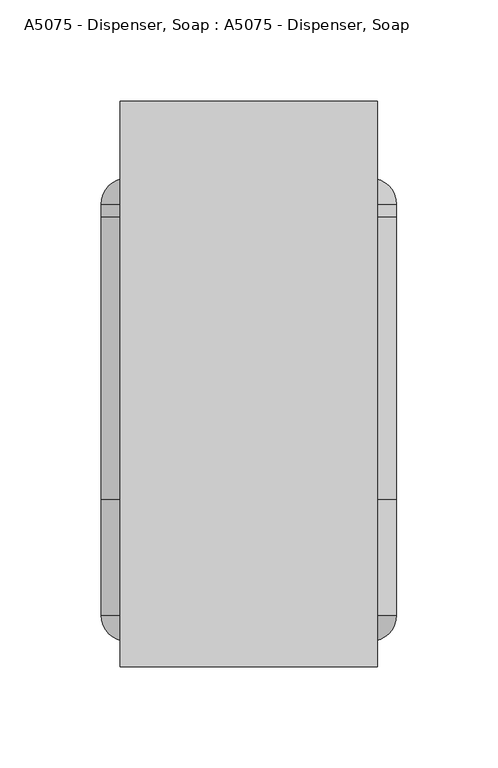
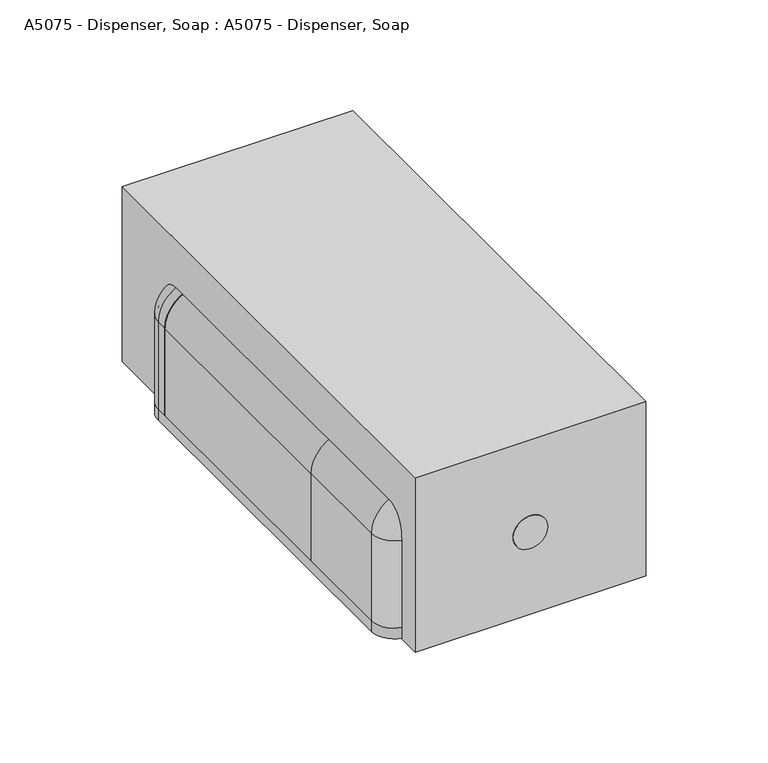
"""IFC4 building model written with IfcOpenShell, lengths in millimetres: proxy geometry, A5075 - Dispenser, Soap : A5075 - Dispenser, Soap."""

import ifcopenshell
import ifcopenshell.guid

model = None  # the IFC model being written
_history = None  # IfcOwnerHistory: only IFC2X3 demands one
_inside = {}  # id of a spatial element -> (the spatial element, [elements in it])
_under = {}  # id of a project, library or spatial element -> (it, [spatial elements below it])
_declared = {}  # id of a project -> (the project, [libraries it declares])
_typed = {}  # id of a type object -> (the type object, [elements of that type])
_made_of = {}  # id of a material, layer set ... -> (it, [elements and type objects made of it])


def new_model(schema):
    """Start an empty IFC model of exactly this schema.

    Asked for "IFC4X3", IfcOpenShell would pick the latest addendum, in which some entities
    have other attributes; the version numbers below select the first issue.
    IFC2X3 requires an IfcOwnerHistory on every rooted entity: one is made here for all.
    """
    global model, _history
    if schema == "IFC4X3":
        model = ifcopenshell.file(schema_version=(4, 3, 0, 0))
    else:
        model = ifcopenshell.file(schema=schema)
    _inside.clear()
    _under.clear()
    _declared.clear()
    _typed.clear()
    _made_of.clear()
    _history = None
    if model.schema == "IFC2X3":
        org = make("IfcOrganization", Name="unknown")
        user = make(
            "IfcPersonAndOrganization",
            ThePerson=make("IfcPerson", FamilyName="unknown"),
            TheOrganization=org,
        )
        app = make(
            "IfcApplication",
            ApplicationDeveloper=org,
            Version="unknown",
            ApplicationFullName="unknown",
            ApplicationIdentifier="unknown",
        )
        _history = make(
            "IfcOwnerHistory",
            OwningUser=user,
            OwningApplication=app,
            ChangeAction="ADDED",
            CreationDate=0,
        )
    return model


def make(cls, **values):
    """One entity of the class cls with the attributes given. An attribute that is None is left unset."""
    return model.create_entity(
        cls, **{name: value for name, value in values.items() if value is not None}
    )


def rooted(cls, **values):
    """An entity with a GlobalId (a new one), such as an element, a storey or a relation."""
    return make(cls, GlobalId=ifcopenshell.guid.new(), OwnerHistory=_history, **values)


def si_unit(unit_type, name, prefix=None):
    """IfcSIUnit, for example si_unit("LENGTHUNIT", "METRE", prefix="MILLI")."""
    return make("IfcSIUnit", UnitType=unit_type, Prefix=prefix, Name=name)


def assignment(units):
    """IfcUnitAssignment: the units of a project."""
    return None if units is None else make("IfcUnitAssignment", Units=units)


def point(xyz):
    """IfcCartesianPoint."""
    return None if xyz is None else make("IfcCartesianPoint", Coordinates=xyz)


def direction(xyz):
    """IfcDirection."""
    return None if xyz is None else make("IfcDirection", DirectionRatios=xyz)


def frame(location, z_axis=None, x_axis=None):
    """IfcAxis2Placement3D, a coordinate frame: its origin and axes. An axis left out is left unset."""
    return make(
        "IfcAxis2Placement3D",
        Location=point(location),
        Axis=direction(z_axis),
        RefDirection=direction(x_axis),
    )


def frame_2d(location, x_axis=None):
    """IfcAxis2Placement2D, a coordinate frame in the plane: its origin and x axis."""
    return make(
        "IfcAxis2Placement2D", Location=point(location), RefDirection=direction(x_axis)
    )


def origin():
    """The frame at (0, 0, 0) with its axes left unset."""
    return frame((0.0, 0.0, 0.0))


def origin_with_axes():
    """The frame at (0, 0, 0) with the z axis (0, 0, 1) and the x axis (1, 0, 0) written out."""
    return frame((0.0, 0.0, 0.0), z_axis=(0.0, 0.0, 1.0), x_axis=(1.0, 0.0, 0.0))


def place(relative_to, where):
    """IfcLocalPlacement: puts the frame where relative to a parent placement (None: the world)."""
    return make(
        "IfcLocalPlacement", PlacementRelTo=relative_to, RelativePlacement=where
    )


def context(
    kind, dimensions, precision=None, world=None, true_north=None, identifier=None
):
    """IfcGeometricRepresentationContext, for example the 3D "Model" context."""
    return make(
        "IfcGeometricRepresentationContext",
        ContextIdentifier=identifier,
        ContextType=kind,
        CoordinateSpaceDimension=dimensions,
        Precision=precision,
        WorldCoordinateSystem=world,
        TrueNorth=true_north,
    )


def project(units=None, contexts=None):
    """IfcProject with its units and contexts."""
    return rooted(
        "IfcProject",
        Name="project",
        RepresentationContexts=contexts,
        UnitsInContext=assignment(units),
    )


def spatial(cls, under=None, at=None, **own):
    """A site, building, storey or space (cls), placed at a placement, below another one or the project."""
    s = rooted(cls, ObjectPlacement=at, **own)
    if under is not None:
        _under.setdefault(under.id(), (under, []))[1].append(s)
    return s


def polyline(points):
    """IfcPolyline through the points."""
    return make("IfcPolyline", Points=[point(p) for p in points])


def circle_curve(where, radius):
    """IfcCircle in the frame where."""
    return make("IfcCircle", Position=where, Radius=radius)


def ellipse_curve(where, semi_axis1, semi_axis2):
    """IfcEllipse in the frame where."""
    return make(
        "IfcEllipse", Position=where, SemiAxis1=semi_axis1, SemiAxis2=semi_axis2
    )


def trimmed(basis, trim1, trim2, sense, master):
    """IfcTrimmedCurve: the piece of a basis curve between two trims."""
    return make(
        "IfcTrimmedCurve",
        BasisCurve=basis,
        Trim1=trim1,
        Trim2=trim2,
        SenseAgreement=sense,
        MasterRepresentation=master,
    )


def segment(curve, same_sense, transition):
    """IfcCompositeCurveSegment."""
    return make(
        "IfcCompositeCurveSegment",
        Transition=transition,
        SameSense=same_sense,
        ParentCurve=curve,
    )


def composite_curve(segments, self_intersect=None):
    """IfcCompositeCurve: segments joined end to end."""
    return make("IfcCompositeCurve", Segments=segments, SelfIntersect=self_intersect)


def outline(outer, holes=None, kind="AREA"):
    """IfcArbitraryClosedProfileDef: a profile drawn as a closed curve; with holes, ...WithVoids."""
    if holes is None:
        return make("IfcArbitraryClosedProfileDef", ProfileType=kind, OuterCurve=outer)
    return make(
        "IfcArbitraryProfileDefWithVoids",
        ProfileType=kind,
        OuterCurve=outer,
        InnerCurves=holes,
    )


def extrude(swept, where, along, depth):
    """IfcExtrudedAreaSolid: the profile swept, set in the frame where, extruded along a direction by depth."""
    return make(
        "IfcExtrudedAreaSolid",
        SweptArea=swept,
        Position=where,
        ExtrudedDirection=direction(along),
        Depth=depth,
    )


def shape(context_of_items, identifier, shape_type, items):
    """IfcShapeRepresentation: the items that make up one representation, for example the "Body"."""
    return make(
        "IfcShapeRepresentation",
        ContextOfItems=context_of_items,
        RepresentationIdentifier=identifier,
        RepresentationType=shape_type,
        Items=items,
    )


def source(mapping_origin, context_of_items, identifier, shape_type, items):
    """IfcRepresentationMap: a shape defined once, which mapped items show again and again."""
    return make(
        "IfcRepresentationMap",
        MappingOrigin=mapping_origin,
        MappedRepresentation=shape(context_of_items, identifier, shape_type, items),
    )


def transform(
    local_origin,
    x_axis=None,
    y_axis=None,
    z_axis=None,
    scale=None,
    scale2=None,
    scale3=None,
    uniform=True,
):
    """IfcCartesianTransformationOperator3D, or its non-uniform kind. x_axis, y_axis, z_axis: its Axis1, 2, 3."""
    if uniform:
        return make(
            "IfcCartesianTransformationOperator3D",
            Axis1=direction(x_axis),
            Axis2=direction(y_axis),
            LocalOrigin=point(local_origin),
            Scale=scale,
            Axis3=direction(z_axis),
        )
    return make(
        "IfcCartesianTransformationOperator3DnonUniform",
        Axis1=direction(x_axis),
        Axis2=direction(y_axis),
        LocalOrigin=point(local_origin),
        Scale=scale,
        Axis3=direction(z_axis),
        Scale2=scale2,
        Scale3=scale3,
    )


def mapped(mapping_source, mapping_target):
    """IfcMappedItem: shows the shape of a source again, moved by a transform."""
    return make(
        "IfcMappedItem", MappingSource=mapping_source, MappingTarget=mapping_target
    )


def made_of(thing, what):
    """Note that an element or type object is made of a material, layer set ...; save() writes the relation."""
    if what is not None:
        _made_of.setdefault(what.id(), (what, []))[1].append(thing)
    return thing


def element(
    cls,
    number,
    at=None,
    inside=None,
    cuts=None,
    type_object=None,
    material=None,
    context=None,
    identifier="Body",
    shape_type=None,
    held_by="IfcProductDefinitionShape",
    body=None,
    shapes=None,
    **own,
):
    """One element of the class cls, such as IfcWall. Its Tag is "e" and its number.

    at: its placement. inside: the storey or other place that contains it. cuts: it is an
    opening in that element (IfcRelVoidsElement). A single representation is given by context,
    identifier, shape_type and body (its items); several are given by shapes. held_by: the class
    of the entity that holds the representations. save() writes the other relations.
    """
    e = rooted(cls, Tag="e%d" % number, ObjectPlacement=at, **own)
    if body is not None:
        shapes = [shape(context, identifier, shape_type, body)]
    if shapes is not None:
        e.Representation = make(held_by, Representations=shapes)
    if inside is not None:
        _inside.setdefault(inside.id(), (inside, []))[1].append(e)
    if cuts is not None:
        rooted(
            "IfcRelVoidsElement", RelatingBuildingElement=cuts, RelatedOpeningElement=e
        )
    if type_object is not None:
        _typed.setdefault(type_object.id(), (type_object, []))[1].append(e)
    return made_of(e, material)


def aggregate(whole, parts):
    """IfcRelAggregates: a whole, such as a stair, and the parts it consists of."""
    return rooted("IfcRelAggregates", RelatingObject=whole, RelatedObjects=parts)


def save(model, path):
    """Write the relations noted so far, then the file.

    IfcRelAggregates (storeys below a building ...), IfcRelContainedInSpatialStructure (elements
    in a storey), IfcRelDefinesByType, IfcRelAssociatesMaterial and IfcRelDeclares: one each for
    every whole, place, type object, material and project.
    """
    for whole, parts in _under.values():
        aggregate(whole, parts)
    for where, things in _inside.values():
        rooted(
            "IfcRelContainedInSpatialStructure",
            RelatedElements=things,
            RelatingStructure=where,
        )
    for kind, things in _typed.values():
        rooted("IfcRelDefinesByType", RelatedObjects=things, RelatingType=kind)
    for what, things in _made_of.values():
        rooted("IfcRelAssociatesMaterial", RelatedObjects=things, RelatingMaterial=what)
    for by, libraries in _declared.values():
        rooted("IfcRelDeclares", RelatingContext=by, RelatedDefinitions=libraries)
    model.write(path)


def plane_surface(at):
    """IfcPlane: the flat surface through the origin of the frame at, square to its z axis."""
    return make("IfcPlane", Position=at)


def cylinder_surface(at, radius):
    """IfcCylindricalSurface: all points at the distance radius from the z axis of the frame at."""
    return make("IfcCylindricalSurface", Position=at, Radius=radius)


def revolved_surface(curve, axis_point, axis_direction):
    """IfcSurfaceOfRevolution: the curve turned about the line through axis_point along axis_direction."""
    return make(
        "IfcSurfaceOfRevolution",
        SweptCurve=make("IfcArbitraryOpenProfileDef", ProfileType="CURVE", Curve=curve),
        AxisPosition=make("IfcAxis1Placement", Location=point(axis_point), Axis=direction(axis_direction)),
    )


def advanced_brep(points, edges, surfaces, faces):
    """IfcAdvancedBrep: a solid bounded by faces that lie on surfaces and meet in shared edges.

    An edge is (start, end): straight between two places in points (the first is 0);
    or (start, end, curve); or (start, end, curve, False) where it runs against its curve.
    A face is (place in surfaces, loops), or (place, loops, False) where it looks against
    its surface's normal. A loop lists edges by number (the first is 1), with a minus sign
    where the edge is run from its end to its start. The first loop is the outer one.
    """
    corners = [point(p) for p in points]
    vertices = [make("IfcVertexPoint", VertexGeometry=c) for c in corners]
    made = []
    for start, end, *more in edges:
        made.append(
            make(
                "IfcEdgeCurve",
                EdgeStart=vertices[start],
                EdgeEnd=vertices[end],
                EdgeGeometry=more[0] if more else make("IfcPolyline", Points=[corners[start], corners[end]]),
                SameSense=more[1] if len(more) > 1 else True,
            )
        )
    hull = []
    for where, loops, *sense in faces:
        bounds = []
        for j, loop in enumerate(loops):
            ring = [make("IfcOrientedEdge", EdgeElement=made[abs(k) - 1], Orientation=k > 0) for k in loop]
            bounds.append(
                make(
                    "IfcFaceOuterBound" if j == 0 else "IfcFaceBound",
                    Bound=make("IfcEdgeLoop", EdgeList=ring),
                    Orientation=True,
                )
            )
        hull.append(make("IfcAdvancedFace", Bounds=bounds, FaceSurface=surfaces[where], SameSense=sense[0] if sense else True))
    return make("IfcAdvancedBrep", Outer=make("IfcClosedShell", CfsFaces=hull))


def a5075_dispenser_soap_a5075_dispenser_soap_4b3b6f7a(model_context):
    return source(origin(), model_context, "Body", "SolidModel", [
        advanced_brep(
        [(-73.025, 25.4, 6.35), (-73.025, 82.55, 6.35), (-71.4375, 82.55, 6.35), (-71.4375, 25.4, 6.35), (-60.325, 14.2875, 6.35), (-60.325, 12.7, 6.35), (-73.025, 25.4, 57.15), (-73.025, 82.55, 57.15), (-53.975, 82.55, 76.2), (53.975, 82.55, 76.2), (73.025, 82.55, 57.15), (73.025, 82.55, 6.35), (71.4375, 82.55, 6.35), (71.4375, 82.55, 57.15), (53.975, 82.55, 74.6125), (-53.975, 82.55, 74.6125), (-71.4375, 82.55, 57.15), (-71.4375, 25.4, 57.15), (-60.325, 14.2875, 57.15), (-60.325, 12.7, 57.15), (-53.975, 25.4, 76.2), (-53.975, 25.4, 74.6125), (-53.975, 14.2875, 63.5), (-53.975, 12.7, 63.5), (53.975, 25.4, 76.2), (53.975, 25.4, 74.6125), (53.975, 14.2875, 63.5), (53.975, 12.7, 63.5), (73.025, 25.4, 57.15), (71.4375, 25.4, 57.15), (60.325, 14.2875, 57.15), (60.325, 12.7, 57.15), (73.025, 25.4, 6.35), (60.325, 12.7, 6.35), (60.325, 14.2875, 6.35), (71.4375, 25.4, 6.35)],
        [
            (0, 1),
            (1, 2),
            (2, 3),
            (3, 4, circle_curve(frame((-60.325, 25.4, 6.35), z_axis=(0.0, 0.0, 1.0), x_axis=(1.0, 0.0, 0.0)), 11.1125)),
            (4, 5),
            (5, 0, circle_curve(frame((-60.325, 25.4, 6.35), z_axis=(0.0, 0.0, -1.0), x_axis=(1.0, 0.0, 0.0)), 12.7)),
            (0, 6),
            (6, 7),
            (7, 1),
            (7, 8, circle_curve(frame((-53.975, 82.55, 57.15), z_axis=(0.0, 1.0, 0.0), x_axis=(-1.0, 0.0, 0.0)), 19.05)),
            (8, 9),
            (9, 10, circle_curve(frame((53.975, 82.55, 57.15), z_axis=(0.0, 1.0, 0.0), x_axis=(0.0, 0.0, 1.0)), 19.05)),
            (10, 11),
            (11, 12),
            (12, 13),
            (13, 14, circle_curve(frame((53.975, 82.55, 57.15), z_axis=(0.0, -1.0, 0.0), x_axis=(0.0, 0.0, 1.0)), 17.4625)),
            (14, 15),
            (15, 16, circle_curve(frame((-53.975, 82.55, 57.15), z_axis=(0.0, -1.0, 0.0), x_axis=(-1.0, 0.0, 0.0)), 17.4625)),
            (16, 2),
            (16, 17),
            (17, 3),
            (17, 18, circle_curve(frame((-60.325, 25.4, 57.15), z_axis=(0.0, 0.0, 1.0), x_axis=(1.0, 0.0, 0.0)), 11.1125)),
            (18, 4),
            (18, 19),
            (19, 5),
            (19, 6, circle_curve(frame((-60.325, 25.4, 57.15), z_axis=(0.0, 0.0, -1.0), x_axis=(1.0, 0.0, 0.0)), 12.7)),
            (6, 20, circle_curve(frame((-53.975, 25.4, 57.15), z_axis=(0.0, 1.0, 0.0), x_axis=(-1.0, 0.0, 0.0)), 19.05)),
            (20, 8),
            (21, 17, circle_curve(frame((-53.975, 25.4, 57.15), z_axis=(0.0, -1.0, 0.0), x_axis=(-1.0, 0.0, 0.0)), 17.4625)),
            (15, 21),
            (22, 18, circle_curve(frame((-53.975, 14.2875, 57.15), z_axis=(0.0, -1.0, 0.0), x_axis=(-1.0, 0.0, 0.0)), 6.35)),
            (21, 22, circle_curve(frame((-53.975, 25.4, 63.5), z_axis=(1.0, 0.0, 0.0), x_axis=(0.0, 0.0, -1.0)), 11.1125)),
            (23, 19, circle_curve(frame((-53.975, 12.7, 57.15), z_axis=(0.0, -1.0, 0.0), x_axis=(-1.0, 0.0, 0.0)), 6.35)),
            (22, 23),
            (23, 20, circle_curve(frame((-53.975, 25.4, 63.5), z_axis=(-1.0, 0.0, 0.0), x_axis=(0.0, 0.0, -1.0)), 12.7)),
            (20, 24),
            (24, 9),
            (14, 25),
            (25, 21),
            (25, 26, circle_curve(frame((53.975, 25.4, 63.5), z_axis=(1.0, 0.0, 0.0), x_axis=(0.0, 0.0, -1.0)), 11.1125)),
            (26, 22),
            (26, 27),
            (27, 23),
            (27, 24, circle_curve(frame((53.975, 25.4, 63.5), z_axis=(-1.0, 0.0, 0.0), x_axis=(0.0, 0.0, -1.0)), 12.7)),
            (24, 28, circle_curve(frame((53.975, 25.4, 57.15), z_axis=(0.0, 1.0, 0.0), x_axis=(0.0, 0.0, 1.0)), 19.05)),
            (28, 10),
            (29, 25, circle_curve(frame((53.975, 25.4, 57.15), z_axis=(0.0, -1.0, 0.0), x_axis=(0.0, 0.0, 1.0)), 17.4625)),
            (13, 29),
            (30, 26, circle_curve(frame((53.975, 14.2875, 57.15), z_axis=(0.0, -1.0, 0.0), x_axis=(0.0, 0.0, 1.0)), 6.35)),
            (29, 30, circle_curve(frame((60.325, 25.4, 57.15), z_axis=(0.0, 0.0, -1.0), x_axis=(-1.0, 0.0, 0.0)), 11.1125)),
            (31, 27, circle_curve(frame((53.975, 12.7, 57.15), z_axis=(0.0, -1.0, 0.0), x_axis=(0.0, 0.0, 1.0)), 6.35)),
            (30, 31),
            (31, 28, circle_curve(frame((60.325, 25.4, 57.15), z_axis=(0.0, 0.0, 1.0), x_axis=(-1.0, 0.0, 0.0)), 12.7)),
            (32, 33, circle_curve(frame((60.325, 25.4, 6.35), z_axis=(0.0, 0.0, -1.0), x_axis=(-1.0, 0.0, 0.0)), 12.7)),
            (33, 34),
            (34, 35, circle_curve(frame((60.325, 25.4, 6.35), z_axis=(0.0, 0.0, 1.0), x_axis=(-1.0, 0.0, 0.0)), 11.1125)),
            (35, 12),
            (11, 32),
            (28, 32),
            (35, 29),
            (34, 30),
            (33, 31),
        ],
        [
            plane_surface(frame((-73.025, 12.7, 6.35), z_axis=(0.0, 0.0, -1.0), x_axis=(0.0, 1.0, 0.0))),
            plane_surface(frame((-73.025, 25.4, 6.35), z_axis=(-1.0, 0.0, 0.0), x_axis=(0.0, 0.0, 1.0))),
            plane_surface(frame((-73.025, 82.55, 6.35), z_axis=(0.0, 1.0, 0.0), x_axis=(0.0, 0.0, 1.0))),
            plane_surface(frame((-71.4375, 82.55, 6.35), z_axis=(1.0, 0.0, 0.0), x_axis=(0.0, 0.0, 1.0))),
            revolved_surface(polyline([(-49.212500000000006, 25.4, 57.15), (-49.212500000000006, 25.4, 6.35)]), (-60.325, 25.4, 6.35), (0.0, 0.0, 1.0)),
            plane_surface(frame((-60.325, 14.2875, 6.35), z_axis=(1.0, 0.0, 0.0), x_axis=(0.0, 0.0, 1.0))),
            cylinder_surface(frame((-60.325, 25.4, 6.35), z_axis=(0.0, 0.0, -1.0), x_axis=(1.0, 0.0, 0.0)), 12.7),
            cylinder_surface(frame((-53.975, 12.7, 57.15), z_axis=(0.0, 1.0, 0.0), x_axis=(-1.0, 0.0, 0.0)), 19.05),
            revolved_surface(polyline([(-71.4375, 82.55, 57.15), (-71.4375, 25.4, 57.15)]), (-53.975, 12.7, 57.15), (0.0, 1.0, 0.0)),
            revolved_surface(trimmed(ellipse_curve(frame((-60.325, 25.4, 57.15), z_axis=(0.0, 0.0, 1.0), x_axis=(1.0, 0.0, 0.0)), 11.1125, 11.1125), [point((-71.4375, 25.4, 57.15))], [point((-60.325, 14.2875, 57.15))], True, "CARTESIAN"), (-53.975, 12.7, 57.15), (0.0, 1.0, 0.0)),
            revolved_surface(polyline([(-60.325, 14.2875, 57.15), (-60.325, 12.7, 57.15)]), (-53.975, 12.7, 57.15), (0.0, 1.0, 0.0)),
            revolved_surface(trimmed(ellipse_curve(frame((-60.325, 25.4, 57.15), z_axis=(0.0, 0.0, -1.0), x_axis=(1.0, 0.0, 0.0)), 12.7, 12.7), [point((-60.325, 12.7, 57.15))], [point((-73.025, 25.4, 57.15))], True, "CARTESIAN"), (-53.975, 12.7, 57.15), (0.0, 1.0, 0.0)),
            plane_surface(frame((-53.975, 25.4, 76.2), z_axis=(0.0, 0.0, 1.0), x_axis=(1.0, 0.0, 0.0))),
            plane_surface(frame((-53.975, 82.55, 74.6125), z_axis=(0.0, 0.0, -1.0), x_axis=(1.0, 0.0, 0.0))),
            revolved_surface(polyline([(53.975, 25.4, 52.3875), (-53.975, 25.4, 52.3875)]), (-53.975, 25.4, 63.5), (1.0, 0.0, 0.0)),
            plane_surface(frame((-53.975, 14.2875, 63.5), z_axis=(0.0, 0.0, -1.0), x_axis=(1.0, 0.0, 0.0))),
            cylinder_surface(frame((-53.975, 25.4, 63.5), z_axis=(-1.0, 0.0, 0.0), x_axis=(0.0, 0.0, -1.0)), 12.7),
            cylinder_surface(frame((53.975, 12.7, 57.15), z_axis=(0.0, 1.0, 0.0), x_axis=(0.0, 0.0, 1.0)), 19.05),
            revolved_surface(polyline([(53.975, 82.55, 74.6125), (53.975, 25.4, 74.6125)]), (53.975, 12.7, 57.15), (0.0, 1.0, 0.0)),
            revolved_surface(trimmed(ellipse_curve(frame((53.975, 25.4, 63.5), z_axis=(1.0, 0.0, 0.0), x_axis=(0.0, 0.0, -1.0)), 11.1125, 11.1125), [point((53.975, 25.4, 74.6125))], [point((53.975, 14.2875, 63.5))], True, "CARTESIAN"), (53.975, 12.7, 57.15), (0.0, 1.0, 0.0)),
            revolved_surface(polyline([(53.975, 14.2875, 63.5), (53.975, 12.7, 63.5)]), (53.975, 12.7, 57.15), (0.0, 1.0, 0.0)),
            revolved_surface(trimmed(ellipse_curve(frame((53.975, 25.4, 63.5), z_axis=(-1.0, 0.0, 0.0), x_axis=(0.0, 0.0, -1.0)), 12.7, 12.7), [point((53.975, 12.7, 63.5))], [point((53.975, 25.4, 76.2))], True, "CARTESIAN"), (53.975, 12.7, 57.15), (0.0, 1.0, 0.0)),
            plane_surface(frame((73.025, 12.7, 6.35), z_axis=(0.0, 0.0, -1.0), x_axis=(0.0, 1.0, 0.0))),
            plane_surface(frame((73.025, 25.4, 57.15), z_axis=(1.0, 0.0, 0.0), x_axis=(0.0, 0.0, -1.0))),
            plane_surface(frame((71.4375, 82.55, 57.15), z_axis=(-1.0, 0.0, 0.0), x_axis=(0.0, 0.0, -1.0))),
            revolved_surface(polyline([(49.212500000000006, 25.4, 6.350000000000001), (49.212500000000006, 25.4, 57.15)]), (60.325, 25.4, 57.15), (0.0, 0.0, -1.0)),
            plane_surface(frame((60.325, 14.2875, 57.15), z_axis=(-1.0, 0.0, 0.0), x_axis=(0.0, 0.0, -1.0))),
            cylinder_surface(frame((60.325, 25.4, 57.15), z_axis=(0.0, 0.0, 1.0), x_axis=(-1.0, 0.0, 0.0)), 12.7),
        ],
        [
            (0, [[1, 2, 3, 4, 5, 6]]),
            (1, [[-1, 7, 8, 9]]),
            (2, [[-2, -9, 10, 11, 12, 13, 14, 15, 16, 17, 18, 19]]),
            (3, [[-3, -19, 20, 21]]),
            (4, [[-4, -21, 22, 23]]),
            (5, [[-5, -23, 24, 25]]),
            (6, [[-6, -25, 26, -7]]),
            (7, [[-10, -8, 27, 28]]),
            (8, [[29, -20, -18, 30]]),
            (9, [[31, -22, -29, 32]]),
            (10, [[33, -24, -31, 34]]),
            (11, [[-27, -26, -33, 35]]),
            (12, [[-28, 36, 37, -11]]),
            (13, [[-30, -17, 38, 39]]),
            (14, [[-32, -39, 40, 41]]),
            (15, [[-34, -41, 42, 43]]),
            (16, [[-35, -43, 44, -36]]),
            (17, [[-12, -37, 45, 46]]),
            (18, [[47, -38, -16, 48]]),
            (19, [[49, -40, -47, 50]]),
            (20, [[51, -42, -49, 52]]),
            (21, [[-45, -44, -51, 53]]),
            (22, [[54, 55, 56, 57, -14, 58]]),
            (23, [[-46, 59, -58, -13]]),
            (24, [[-48, -15, -57, 60]]),
            (25, [[-50, -60, -56, 61]]),
            (26, [[-52, -61, -55, 62]]),
            (27, [[-53, -62, -54, -59]]),
        ],
    ),
        advanced_brep(
        [(-73.025, 228.6, 6.35), (-60.325, 241.3, 6.35), (-60.325, 239.7125, 6.35), (-71.4375, 228.6, 6.35), (-71.4375, 222.25, 6.35), (-73.025, 222.25, 6.35), (-73.025, 228.6, 57.15), (-60.325, 241.3, 57.15), (-60.325, 239.7125, 57.15), (-71.4375, 228.6, 57.15), (-71.4375, 222.25, 57.15), (-53.975, 222.25, 74.6125), (53.975, 222.25, 74.6125), (71.4375, 222.25, 57.15), (71.4375, 222.25, 6.35), (73.025, 222.25, 6.35), (73.025, 222.25, 57.15), (53.975, 222.25, 76.2), (-53.975, 222.25, 76.2), (-73.025, 222.25, 57.15), (-53.975, 241.3, 63.5), (-53.975, 228.6, 76.2), (-53.975, 239.7125, 63.5), (-53.975, 228.6, 74.6125), (53.975, 228.6, 76.2), (53.975, 241.3, 63.5), (53.975, 239.7125, 63.5), (53.975, 228.6, 74.6125), (60.325, 241.3, 57.15), (73.025, 228.6, 57.15), (60.325, 239.7125, 57.15), (71.4375, 228.6, 57.15), (73.025, 228.6, 6.35), (71.4375, 228.6, 6.35), (60.325, 239.7125, 6.35), (60.325, 241.3, 6.35)],
        [
            (0, 1, circle_curve(frame((-60.325, 228.6, 6.35), z_axis=(0.0, 0.0, -1.0), x_axis=(1.0, 0.0, 0.0)), 12.7)),
            (1, 2),
            (2, 3, circle_curve(frame((-60.325, 228.6, 6.35), z_axis=(0.0, 0.0, 1.0), x_axis=(1.0, 0.0, 0.0)), 11.1125)),
            (3, 4),
            (4, 5),
            (5, 0),
            (0, 6),
            (6, 7, circle_curve(frame((-60.325, 228.6, 57.15), z_axis=(0.0, 0.0, -1.0), x_axis=(1.0, 0.0, 0.0)), 12.7)),
            (7, 1),
            (7, 8),
            (8, 2),
            (8, 9, circle_curve(frame((-60.325, 228.6, 57.15), z_axis=(0.0, 0.0, 1.0), x_axis=(1.0, 0.0, 0.0)), 11.1125)),
            (9, 3),
            (9, 10),
            (10, 4),
            (10, 11, circle_curve(frame((-53.975, 222.25, 57.15), z_axis=(0.0, 1.0, 0.0), x_axis=(-1.0, 0.0, 0.0)), 17.4625)),
            (11, 12),
            (12, 13, circle_curve(frame((53.975, 222.25, 57.15), z_axis=(0.0, 1.0, 0.0), x_axis=(0.0, 0.0, 1.0)), 17.4625)),
            (13, 14),
            (14, 15),
            (15, 16),
            (16, 17, circle_curve(frame((53.975, 222.25, 57.15), z_axis=(0.0, -1.0, 0.0), x_axis=(0.0, 0.0, 1.0)), 19.05)),
            (17, 18),
            (18, 19, circle_curve(frame((-53.975, 222.25, 57.15), z_axis=(0.0, -1.0, 0.0), x_axis=(-1.0, 0.0, 0.0)), 19.05)),
            (19, 5),
            (19, 6),
            (20, 7, circle_curve(frame((-53.975, 241.3, 57.15), z_axis=(0.0, -1.0, 0.0), x_axis=(-1.0, 0.0, 0.0)), 6.35)),
            (6, 21, circle_curve(frame((-53.975, 228.6, 57.15), z_axis=(0.0, 1.0, 0.0), x_axis=(-1.0, 0.0, 0.0)), 19.05)),
            (21, 20, circle_curve(frame((-53.975, 228.6, 63.5), z_axis=(-1.0, 0.0, 0.0), x_axis=(0.0, 0.0, -1.0)), 12.7)),
            (22, 8, circle_curve(frame((-53.975, 239.7125, 57.15), z_axis=(0.0, -1.0, 0.0), x_axis=(-1.0, 0.0, 0.0)), 6.35)),
            (20, 22),
            (23, 9, circle_curve(frame((-53.975, 228.6, 57.15), z_axis=(0.0, -1.0, 0.0), x_axis=(-1.0, 0.0, 0.0)), 17.4625)),
            (22, 23, circle_curve(frame((-53.975, 228.6, 63.5), z_axis=(1.0, 0.0, 0.0), x_axis=(0.0, 0.0, -1.0)), 11.1125)),
            (23, 11),
            (18, 21),
            (21, 24),
            (24, 25, circle_curve(frame((53.975, 228.6, 63.5), z_axis=(-1.0, 0.0, 0.0), x_axis=(0.0, 0.0, -1.0)), 12.7)),
            (25, 20),
            (25, 26),
            (26, 22),
            (26, 27, circle_curve(frame((53.975, 228.6, 63.5), z_axis=(1.0, 0.0, 0.0), x_axis=(0.0, 0.0, -1.0)), 11.1125)),
            (27, 23),
            (27, 12),
            (17, 24),
            (28, 25, circle_curve(frame((53.975, 241.3, 57.15), z_axis=(0.0, -1.0, 0.0), x_axis=(0.0, 0.0, 1.0)), 6.35)),
            (24, 29, circle_curve(frame((53.975, 228.6, 57.15), z_axis=(0.0, 1.0, 0.0), x_axis=(0.0, 0.0, 1.0)), 19.05)),
            (29, 28, circle_curve(frame((60.325, 228.6, 57.15), z_axis=(0.0, 0.0, 1.0), x_axis=(-1.0, 0.0, 0.0)), 12.7)),
            (30, 26, circle_curve(frame((53.975, 239.7125, 57.15), z_axis=(0.0, -1.0, 0.0), x_axis=(0.0, 0.0, 1.0)), 6.35)),
            (28, 30),
            (31, 27, circle_curve(frame((53.975, 228.6, 57.15), z_axis=(0.0, -1.0, 0.0), x_axis=(0.0, 0.0, 1.0)), 17.4625)),
            (30, 31, circle_curve(frame((60.325, 228.6, 57.15), z_axis=(0.0, 0.0, -1.0), x_axis=(-1.0, 0.0, 0.0)), 11.1125)),
            (31, 13),
            (16, 29),
            (32, 15),
            (14, 33),
            (33, 34, circle_curve(frame((60.325, 228.6, 6.35), z_axis=(0.0, 0.0, 1.0), x_axis=(-1.0, 0.0, 0.0)), 11.1125)),
            (34, 35),
            (35, 32, circle_curve(frame((60.325, 228.6, 6.35), z_axis=(0.0, 0.0, -1.0), x_axis=(-1.0, 0.0, 0.0)), 12.7)),
            (29, 32),
            (35, 28),
            (34, 30),
            (33, 31),
        ],
        [
            plane_surface(frame((-73.025, 241.3, 6.35), z_axis=(0.0, 0.0, -1.0), x_axis=(0.0, 1.0, 0.0))),
            cylinder_surface(frame((-60.325, 228.6, 6.35), z_axis=(0.0, 0.0, -1.0), x_axis=(1.0, 0.0, 0.0)), 12.7),
            plane_surface(frame((-60.325, 241.3, 6.35), z_axis=(1.0, 0.0, 0.0), x_axis=(0.0, 0.0, 1.0))),
            revolved_surface(polyline([(-49.212500000000006, 228.6, 57.15), (-49.212500000000006, 228.6, 6.35)]), (-60.325, 228.6, 6.35), (0.0, 0.0, 1.0)),
            plane_surface(frame((-71.4375, 228.6, 6.35), z_axis=(1.0, 0.0, 0.0), x_axis=(0.0, 0.0, 1.0))),
            plane_surface(frame((-71.4375, 222.25, 6.35), z_axis=(0.0, -1.0, 0.0), x_axis=(0.0, 0.0, 1.0))),
            plane_surface(frame((-73.025, 222.25, 6.35), z_axis=(-1.0, 0.0, 0.0), x_axis=(0.0, 0.0, 1.0))),
            revolved_surface(trimmed(ellipse_curve(frame((-60.325, 228.6, 57.15), z_axis=(0.0, 0.0, -1.0), x_axis=(1.0, 0.0, 0.0)), 12.7, 12.7), [point((-73.025, 228.6, 57.15))], [point((-60.325, 241.3, 57.15))], True, "CARTESIAN"), (-53.975, 241.3, 57.15), (0.0, 1.0, 0.0)),
            revolved_surface(polyline([(-60.325, 241.3, 57.15), (-60.325, 239.7125, 57.15)]), (-53.975, 241.3, 57.15), (0.0, 1.0, 0.0)),
            revolved_surface(trimmed(ellipse_curve(frame((-60.325, 228.6, 57.15), z_axis=(0.0, 0.0, 1.0), x_axis=(1.0, 0.0, 0.0)), 11.1125, 11.1125), [point((-60.325, 239.7125, 57.15))], [point((-71.4375, 228.6, 57.15))], True, "CARTESIAN"), (-53.975, 241.3, 57.15), (0.0, 1.0, 0.0)),
            revolved_surface(polyline([(-71.4375, 228.6, 57.15), (-71.4375, 222.25, 57.15)]), (-53.975, 241.3, 57.15), (0.0, 1.0, 0.0)),
            cylinder_surface(frame((-53.975, 241.3, 57.15), z_axis=(0.0, 1.0, 0.0), x_axis=(-1.0, 0.0, 0.0)), 19.05),
            cylinder_surface(frame((-53.975, 228.6, 63.5), z_axis=(-1.0, 0.0, 0.0), x_axis=(0.0, 0.0, -1.0)), 12.7),
            plane_surface(frame((-53.975, 241.3, 63.5), z_axis=(0.0, 0.0, -1.0), x_axis=(1.0, 0.0, 0.0))),
            revolved_surface(polyline([(53.975, 228.6, 52.3875), (-53.975, 228.6, 52.3875)]), (-53.975, 228.6, 63.5), (1.0, 0.0, 0.0)),
            plane_surface(frame((-53.975, 228.6, 74.6125), z_axis=(0.0, 0.0, -1.0), x_axis=(1.0, 0.0, 0.0))),
            plane_surface(frame((-53.975, 222.25, 76.2), z_axis=(0.0, 0.0, 1.0), x_axis=(1.0, 0.0, 0.0))),
            revolved_surface(trimmed(ellipse_curve(frame((53.975, 228.6, 63.5), z_axis=(-1.0, 0.0, 0.0), x_axis=(0.0, 0.0, -1.0)), 12.7, 12.7), [point((53.975, 228.6, 76.2))], [point((53.975, 241.3, 63.5))], True, "CARTESIAN"), (53.975, 241.3, 57.15), (0.0, 1.0, 0.0)),
            revolved_surface(polyline([(53.975, 241.3, 63.5), (53.975, 239.7125, 63.5)]), (53.975, 241.3, 57.15), (0.0, 1.0, 0.0)),
            revolved_surface(trimmed(ellipse_curve(frame((53.975, 228.6, 63.5), z_axis=(1.0, 0.0, 0.0), x_axis=(0.0, 0.0, -1.0)), 11.1125, 11.1125), [point((53.975, 239.7125, 63.5))], [point((53.975, 228.6, 74.6125))], True, "CARTESIAN"), (53.975, 241.3, 57.15), (0.0, 1.0, 0.0)),
            revolved_surface(polyline([(53.975, 228.6, 74.6125), (53.975, 222.25, 74.6125)]), (53.975, 241.3, 57.15), (0.0, 1.0, 0.0)),
            cylinder_surface(frame((53.975, 241.3, 57.15), z_axis=(0.0, 1.0, 0.0), x_axis=(0.0, 0.0, 1.0)), 19.05),
            plane_surface(frame((73.025, 241.3, 6.35), z_axis=(0.0, 0.0, -1.0), x_axis=(0.0, 1.0, 0.0))),
            cylinder_surface(frame((60.325, 228.6, 57.15), z_axis=(0.0, 0.0, 1.0), x_axis=(-1.0, 0.0, 0.0)), 12.7),
            plane_surface(frame((60.325, 241.3, 57.15), z_axis=(-1.0, 0.0, 0.0), x_axis=(0.0, 0.0, -1.0))),
            revolved_surface(polyline([(49.212500000000006, 228.6, 6.350000000000001), (49.212500000000006, 228.6, 57.15)]), (60.325, 228.6, 57.15), (0.0, 0.0, -1.0)),
            plane_surface(frame((71.4375, 228.6, 57.15), z_axis=(-1.0, 0.0, 0.0), x_axis=(0.0, 0.0, -1.0))),
            plane_surface(frame((73.025, 222.25, 57.15), z_axis=(1.0, 0.0, 0.0), x_axis=(0.0, 0.0, -1.0))),
        ],
        [
            (0, [[1, 2, 3, 4, 5, 6]]),
            (1, [[-1, 7, 8, 9]]),
            (2, [[-2, -9, 10, 11]]),
            (3, [[-3, -11, 12, 13]]),
            (4, [[-4, -13, 14, 15]]),
            (5, [[-5, -15, 16, 17, 18, 19, 20, 21, 22, 23, 24, 25]]),
            (6, [[-6, -25, 26, -7]]),
            (7, [[27, -8, 28, 29]]),
            (8, [[30, -10, -27, 31]]),
            (9, [[32, -12, -30, 33]]),
            (10, [[-16, -14, -32, 34]]),
            (11, [[-28, -26, -24, 35]]),
            (12, [[-29, 36, 37, 38]]),
            (13, [[-31, -38, 39, 40]]),
            (14, [[-33, -40, 41, 42]]),
            (15, [[-34, -42, 43, -17]]),
            (16, [[-35, -23, 44, -36]]),
            (17, [[45, -37, 46, 47]]),
            (18, [[48, -39, -45, 49]]),
            (19, [[50, -41, -48, 51]]),
            (20, [[-18, -43, -50, 52]]),
            (21, [[-46, -44, -22, 53]]),
            (22, [[54, -20, 55, 56, 57, 58]]),
            (23, [[-47, 59, -58, 60]]),
            (24, [[-49, -60, -57, 61]]),
            (25, [[-51, -61, -56, 62]]),
            (26, [[-52, -62, -55, -19]]),
            (27, [[-53, -21, -54, -59]]),
        ],
    ),
        extrude(outline(composite_curve([segment(polyline([(57.15, -73.025), (6.35, -73.025), (6.35, -71.4375), (57.15, -71.4375)]), True, "CONTINUOUS"), segment(trimmed(circle_curve(frame_2d((57.15, -53.975)), 17.4625), [point((57.15, -71.4375))], [point((74.6125, -53.975))], True, "CARTESIAN"), True, "CONTINUOUS"), segment(polyline([(74.6125, -53.975), (74.6125, 53.975)]), True, "CONTINUOUS"), segment(trimmed(circle_curve(frame_2d((57.15, 53.975)), 17.4625), [point((74.6125, 53.975))], [point((57.15, 71.4375))], True, "CARTESIAN"), True, "CONTINUOUS"), segment(polyline([(57.15, 71.4375), (6.35, 71.4375), (6.35, 73.025), (57.15, 73.025)]), True, "CONTINUOUS"), segment(trimmed(circle_curve(frame_2d((57.15, 53.975)), 19.05), [point((57.15, 73.025))], [point((76.2, 53.975))], False, "CARTESIAN"), True, "CONTINUOUS"), segment(polyline([(76.2, 53.975), (76.2, -53.975)]), True, "CONTINUOUS"), segment(trimmed(circle_curve(frame_2d((57.15, -53.975)), 19.05), [point((76.2, -53.975))], [point((57.15, -73.025))], False, "CARTESIAN"), True, "CONTINUOUS")], self_intersect=False)), frame((0.0, 82.55, 0.0), z_axis=(0.0, 1.0, 0.0), x_axis=(0.0, 0.0, 1.0)), (0.0, 0.0, 1.0), 139.7),
        extrude(outline(composite_curve([segment(polyline([(74.6125, 53.975), (74.6125, -53.975)]), True, "CONTINUOUS"), segment(trimmed(circle_curve(frame_2d((57.15, -53.975)), 17.4625), [point((74.6125, -53.975))], [point((57.15, -71.4375))], False, "CARTESIAN"), True, "CONTINUOUS"), segment(polyline([(57.15, -71.4375), (6.35, -71.4375), (6.35, 71.4375), (57.15, 71.4375)]), True, "CONTINUOUS"), segment(trimmed(circle_curve(frame_2d((57.15, 53.975)), 17.4625), [point((57.15, 71.4375))], [point((74.6125, 53.975))], False, "CARTESIAN"), True, "CONTINUOUS")], self_intersect=False)), frame((0.0, 82.55, 0.0), z_axis=(0.0, 1.0, 0.0), x_axis=(0.0, 0.0, 1.0)), (0.0, 0.0, 1.0), 101.8530988),
        extrude(outline(composite_curve([segment(trimmed(circle_curve(frame_2d((47.625, 0.0)), 9.525), [point((47.625, -9.525))], [point((47.625, 9.525))], False, "CARTESIAN"), True, "CONTINUOUS"), segment(trimmed(circle_curve(frame_2d((47.625, 0.0)), 9.525), [point((47.625, 9.525))], [point((47.625, -9.525))], False, "CARTESIAN"), True, "CONTINUOUS")], self_intersect=False)), frame((0.0, 0.0, 0.0), z_axis=(0.0, 1.0, 0.0), x_axis=(0.0, 0.0, 1.0)), (0.0, 0.0, 1.0), 12.7),
        extrude(outline(composite_curve([segment(polyline([(-9.525, 50.8), (9.525, 50.8)]), True, "CONTINUOUS"), segment(trimmed(circle_curve(frame_2d((9.525, 41.275)), 9.525), [point((9.525, 50.8))], [point((9.525, 31.75))], False, "CARTESIAN"), True, "CONTINUOUS"), segment(polyline([(9.525, 31.75), (-9.525, 31.75)]), True, "CONTINUOUS"), segment(trimmed(circle_curve(frame_2d((-9.525, 41.275)), 9.525), [point((-9.525, 31.75))], [point((-9.525, 50.8))], False, "CARTESIAN"), True, "CONTINUOUS")], self_intersect=False)), frame((0.0, 0.0, 76.2), z_axis=(0.0, 0.0, 1.0), x_axis=(1.0, 0.0, 0.0)), (0.0, 0.0, 1.0), 12.7),
        extrude(outline(composite_curve([segment(polyline([(6.35, -60.325), (6.35, 60.325), (57.15, 60.325)]), True, "CONTINUOUS"), segment(trimmed(circle_curve(frame_2d((57.15, 53.975)), 6.35), [point((57.15, 60.325))], [point((63.5, 53.975))], False, "CARTESIAN"), True, "CONTINUOUS"), segment(polyline([(63.5, 53.975), (63.5, -53.975)]), True, "CONTINUOUS"), segment(trimmed(circle_curve(frame_2d((57.15, -53.975)), 6.35), [point((63.5, -53.975))], [point((57.15, -60.325))], False, "CARTESIAN"), True, "CONTINUOUS"), segment(polyline([(57.15, -60.325), (6.35, -60.325)]), True, "CONTINUOUS")], self_intersect=False)), frame((0.0, 12.7, 0.0), z_axis=(0.0, 1.0, 0.0), x_axis=(0.0, 0.0, 1.0)), (0.0, 0.0, 1.0), 1.5875),
        extrude(outline(composite_curve([segment(polyline([(-60.325, 241.3), (60.325, 241.3)]), True, "CONTINUOUS"), segment(trimmed(circle_curve(frame_2d((60.325, 228.6)), 12.7), [point((60.325, 241.3))], [point((73.025, 228.6))], False, "CARTESIAN"), True, "CONTINUOUS"), segment(polyline([(73.025, 228.6), (73.025, 25.4)]), True, "CONTINUOUS"), segment(trimmed(circle_curve(frame_2d((60.325, 25.4)), 12.7), [point((73.025, 25.4))], [point((60.325, 12.7))], False, "CARTESIAN"), True, "CONTINUOUS"), segment(polyline([(60.325, 12.7), (-60.325, 12.7)]), True, "CONTINUOUS"), segment(trimmed(circle_curve(frame_2d((-60.325, 25.4)), 12.7), [point((-60.325, 12.7))], [point((-73.025, 25.4))], False, "CARTESIAN"), True, "CONTINUOUS"), segment(polyline([(-73.025, 25.4), (-73.025, 228.6)]), True, "CONTINUOUS"), segment(trimmed(circle_curve(frame_2d((-60.325, 228.6)), 12.7), [point((-73.025, 228.6))], [point((-60.325, 241.3))], False, "CARTESIAN"), True, "CONTINUOUS")], self_intersect=False)), origin_with_axes(), (0.0, 0.0, 1.0), 6.35),
        extrude(outline(polyline([(63.5, 279.4), (63.5, 0.0), (-63.5, 0.0), (-63.5, 279.4), (63.5, 279.4)])), origin_with_axes(), (0.0, 0.0, 1.0), 101.6),
        extrude(outline(composite_curve([segment(polyline([(6.35, -60.325), (6.35, 60.325), (57.15, 60.325)]), True, "CONTINUOUS"), segment(trimmed(circle_curve(frame_2d((57.15, 53.975)), 6.35), [point((57.15, 60.325))], [point((63.5, 53.975))], False, "CARTESIAN"), True, "CONTINUOUS"), segment(polyline([(63.5, 53.975), (63.5, -53.975)]), True, "CONTINUOUS"), segment(trimmed(circle_curve(frame_2d((57.15, -53.975)), 6.35), [point((63.5, -53.975))], [point((57.15, -60.325))], False, "CARTESIAN"), True, "CONTINUOUS"), segment(polyline([(57.15, -60.325), (6.35, -60.325)]), True, "CONTINUOUS")], self_intersect=False)), frame((0.0, 239.7125, 0.0), z_axis=(0.0, 1.0, 0.0), x_axis=(0.0, 0.0, 1.0)), (0.0, 0.0, 1.0), 1.5875),
    ])


if __name__ == "__main__":
    model = new_model("IFC4")
    model_context = context("Model", 3, world=origin())
    ifc_project = project(units=[si_unit("LENGTHUNIT", "METRE", prefix="MILLI")], contexts=[model_context])
    site = spatial("IfcSite", under=ifc_project)
    building = spatial("IfcBuilding", under=site)
    placement = place(None, origin())
    a5075_dispenser_soap_a5075_dispenser_soap_shape = a5075_dispenser_soap_a5075_dispenser_soap_4b3b6f7a(model_context)
    element("IfcBuildingElementProxy", 1, Name="A5075 - Dispenser, Soap : A5075 - Dispenser, Soap", ObjectType="A5075 - Dispenser, Soap : A5075 - Dispenser, Soap", at=placement, inside=building, context=model_context, shape_type="MappedRepresentation", body=[
        mapped(a5075_dispenser_soap_a5075_dispenser_soap_shape, transform((0.0, 0.0, 0.0), x_axis=(1.0, 0.0, 0.0), y_axis=(0.0, 1.0, 0.0), z_axis=(0.0, 0.0, 1.0))),
    ])
    save(model, "model.ifc")
